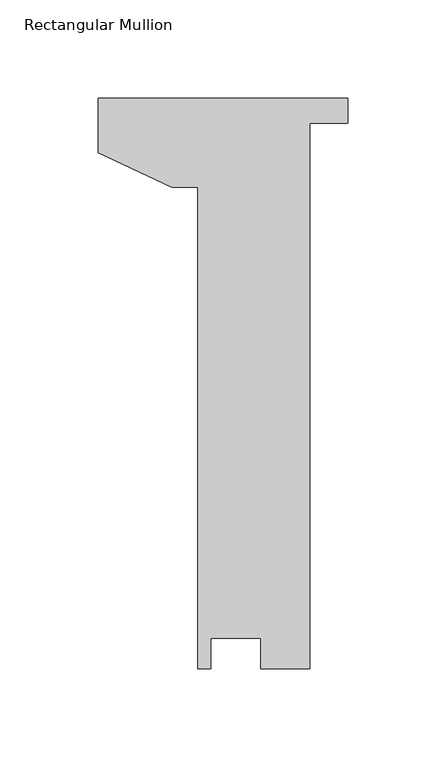
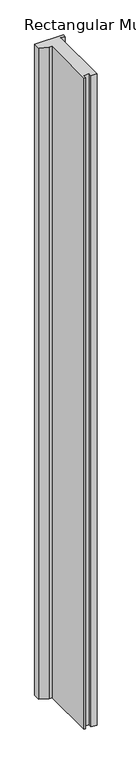
"""IFC4 building model written with IfcOpenShell, lengths in millimetres: member geometry, Rectangular Mullion."""

from ifc_helpers import new_model, si_unit, frame, origin, place, context, project, spatial, polyline, outline, extrude, source, transform, mapped, element, save


def rectangular_mullion_6e9ec02e(model_context):
    return source(origin(), model_context, "Body", "SweptSolid", [
        extrude(outline(polyline([(-76.193547, -138.90625), (-76.193547, 106.29265), (-89.609994, 106.29265), (-127.0, 123.7278961), (-127.0, 151.60625), (0.0, 151.60625), (0.0, 138.90625), (-19.2975985, 138.90625), (-19.2975985, -138.90625), (-44.1445218, -138.90625), (-44.1445218, -123.28525), (-69.6277502, -123.28525), (-69.6277502, -138.90625), (-76.193547, -138.90625)])), frame((0.0, 0.0, -3048.0), z_axis=(0.0, 0.0, 1.0), x_axis=(1.0, 0.0, 0.0)), (0.0, 0.0, 1.0), 3048.0),
    ])


if __name__ == "__main__":
    model = new_model("IFC4")
    model_context = context("Model", 3, world=origin())
    ifc_project = project(units=[si_unit("LENGTHUNIT", "METRE", prefix="MILLI")], contexts=[model_context])
    site = spatial("IfcSite", under=ifc_project)
    building = spatial("IfcBuilding", under=site)
    placement = place(None, origin())
    rectangular_mullion_shape = rectangular_mullion_6e9ec02e(model_context)
    element("IfcMember", 1, ObjectType="Rectangular Mullion", at=placement, inside=building, context=model_context, shape_type="MappedRepresentation", body=[
        mapped(rectangular_mullion_shape, transform((0.0, 0.0, 0.0), x_axis=(1.0, 0.0, 0.0), y_axis=(0.0, 1.0, 0.0), z_axis=(0.0, 0.0, 1.0))),
    ])
    save(model, "model.ifc")
